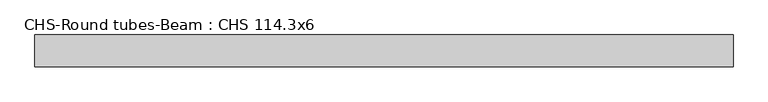
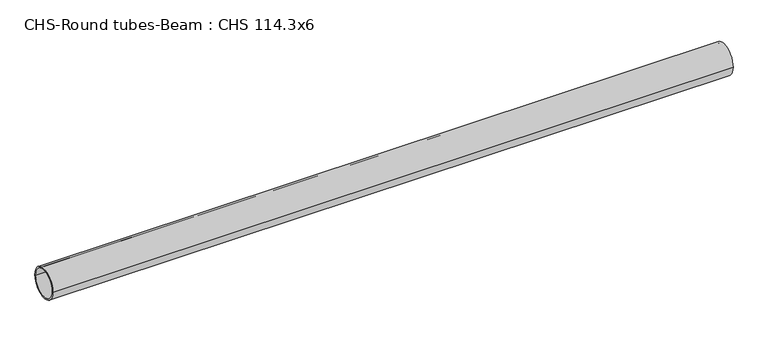
"""IFC4 building model written with IfcOpenShell, lengths in millimetres: beam geometry, CHS-Round tubes-Beam : CHS 114.3x6."""

from ifc_helpers import new_model, si_unit, point, frame, origin, origin_2d, place, context, project, spatial, circle_curve, trimmed, segment, composite_curve, outline, extrude, source, transform, mapped, element, save


def chs_round_tubes_beam_chs_114_3x6_005f68ca(model_context):
    return source(origin(), model_context, "Body", "SweptSolid", [
        extrude(outline(composite_curve([segment(trimmed(circle_curve(origin_2d(), 57.15), [point((57.15, 0.0))], [point((-57.15, 0.0))], False, "CARTESIAN"), True, "CONTINUOUS"), segment(trimmed(circle_curve(origin_2d(), 57.15), [point((-57.15, 0.0))], [point((57.15, 0.0))], False, "CARTESIAN"), True, "CONTINUOUS")], self_intersect=False), holes=[composite_curve([segment(trimmed(circle_curve(origin_2d(), 51.15), [point((51.15, 0.0))], [point((-51.15, 0.0))], True, "CARTESIAN"), True, "CONTINUOUS"), segment(trimmed(circle_curve(origin_2d(), 51.15), [point((-51.15, 0.0))], [point((51.15, 0.0))], True, "CARTESIAN"), True, "CONTINUOUS")], self_intersect=False)]), frame((-1201.1765637, 0.0, 0.0), z_axis=(1.0, 0.0, 0.0), x_axis=(0.0, 1.0, 0.0)), (0.0, 0.0, 1.0), 2510.8868145),
    ])


if __name__ == "__main__":
    model = new_model("IFC4")
    model_context = context("Model", 3, world=origin())
    ifc_project = project(units=[si_unit("LENGTHUNIT", "METRE", prefix="MILLI")], contexts=[model_context])
    site = spatial("IfcSite", under=ifc_project)
    building = spatial("IfcBuilding", under=site)
    placement = place(None, origin())
    chs_round_tubes_beam_chs_114_3x6_shape = chs_round_tubes_beam_chs_114_3x6_005f68ca(model_context)
    element("IfcBeam", 1, ObjectType="CHS-Round tubes-Beam : CHS 114.3x6", at=placement, inside=building, context=model_context, shape_type="MappedRepresentation", body=[
        mapped(chs_round_tubes_beam_chs_114_3x6_shape, transform((0.0, 0.0, 0.0), x_axis=(1.0, 0.0, 0.0), y_axis=(0.0, 1.0, 0.0), z_axis=(0.0, 0.0, 1.0))),
    ])
    save(model, "model.ifc")
